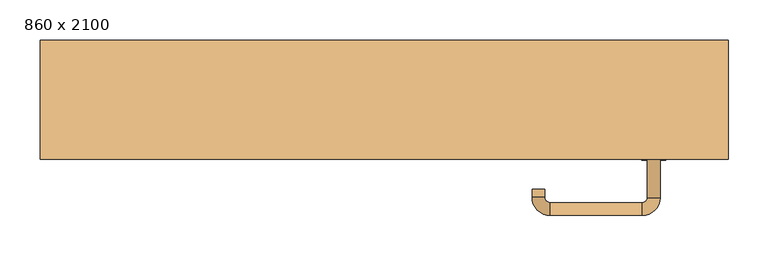
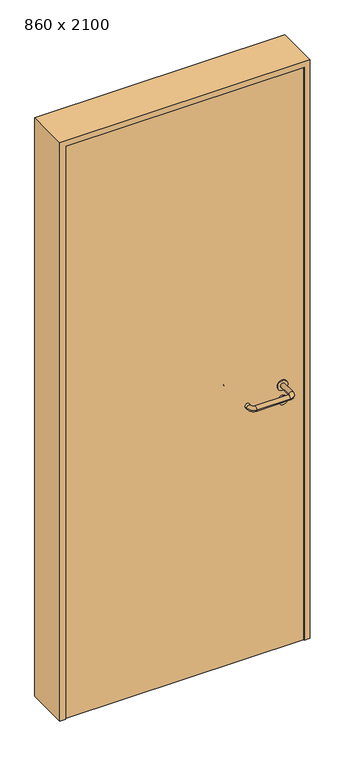
"""IFC4 building model written with IfcOpenShell, lengths in millimetres: door geometry, 860 x 2100."""

from ifc_helpers import new_model, si_unit, point, frame, frame_2d, origin, origin_with_axes, place, context, project, spatial, polyline, circle_curve, ellipse_curve, trimmed, segment, composite_curve, outline, extrude, source, transform, mapped, element, save
from ifc_brep_helpers import plane_surface, cylinder_surface, revolved_surface, advanced_brep


def door_860_x_2100_b905c639(model_context):
    return source(origin(), model_context, "Body", "SolidModel", [
        extrude(outline(composite_curve([segment(trimmed(circle_curve(frame_2d((897.3605726, 337.0)), 15.0), [point((897.3605726, 352.0))], [point((897.3605726, 322.0))], False, "CARTESIAN"), True, "CONTINUOUS"), segment(trimmed(circle_curve(frame_2d((897.3605726, 337.0)), 15.0), [point((897.3605726, 322.0))], [point((897.3605726, 352.0))], False, "CARTESIAN"), True, "CONTINUOUS")], self_intersect=False), holes=[composite_curve([segment(trimmed(circle_curve(frame_2d((892.5833211, 336.9398032)), 2.0), [point((892.5833211, 338.9398032))], [point((892.5833211, 334.9398032))], True, "CARTESIAN"), True, "CONTINUOUS"), segment(polyline([(892.5833211, 334.9398032), (902.5833211, 334.9398032)]), True, "CONTINUOUS"), segment(trimmed(circle_curve(frame_2d((902.5833211, 336.9398032)), 2.0), [point((902.5833211, 334.9398032))], [point((902.5833211, 338.9398032))], True, "CARTESIAN"), True, "CONTINUOUS"), segment(polyline([(902.5833211, 338.9398032), (892.5833211, 338.9398032)]), True, "CONTINUOUS")], self_intersect=False)]), frame((0.0, -40.0, 0.0), z_axis=(0.0, 1.0, 0.0), x_axis=(0.0, 0.0, 1.0)), (0.0, 0.0, 1.0), 6.35),
        extrude(outline(composite_curve([segment(trimmed(circle_curve(frame_2d((950.0, 337.0)), 17.526), [point((950.0, 354.526))], [point((950.0, 319.474))], False, "CARTESIAN"), True, "CONTINUOUS"), segment(trimmed(circle_curve(frame_2d((950.0, 337.0)), 17.526), [point((950.0, 319.474))], [point((950.0, 354.526))], False, "CARTESIAN"), True, "CONTINUOUS")], self_intersect=False)), frame((0.0, -40.0, 0.0), z_axis=(0.0, 1.0, 0.0), x_axis=(0.0, 0.0, 1.0)), (0.0, 0.0, 1.0), 3.175),
        advanced_brep(
        [(345.0, -40.0, 950.0), (329.0, -40.0, 950.0), (345.0, 13.0, 950.0), (329.0, 13.0, 950.0), (322.8578644, 19.1421356, 950.0), (322.8578644, 35.1421356, 950.0), (207.8578644, 35.1421356, 950.0), (207.8578644, 19.1421356, 950.0), (201.008622, 12.2928932, 950.0), (185.008622, 12.2928932, 950.0), (185.008622, 2.2928932, 950.0), (201.008622, 2.2928932, 950.0)],
        [
            (0, 1, circle_curve(frame((337.0, -40.0, 950.0), z_axis=(0.0, -1.0, 0.0), x_axis=(-1.0, 0.0, 0.0)), 8.0)),
            (1, 0, circle_curve(frame((337.0, -40.0, 950.0), z_axis=(0.0, -1.0, 0.0), x_axis=(-1.0, 0.0, 0.0)), 8.0)),
            (0, 2),
            (2, 3, circle_curve(frame((337.0, 13.0, 950.0), z_axis=(0.0, -1.0, 0.0), x_axis=(-1.0, 0.0, 0.0)), 8.0)),
            (3, 1),
            (3, 2, circle_curve(frame((337.0, 13.0, 950.0), z_axis=(0.0, -1.0, 0.0), x_axis=(-1.0, 0.0, 0.0)), 8.0)),
            (4, 3, circle_curve(frame((322.8578644, 13.0, 950.0), z_axis=(0.0, 0.0, -1.0), x_axis=(1.0, 0.0, 0.0)), 6.1421356)),
            (2, 5, circle_curve(frame((322.8578644, 13.0, 950.0), z_axis=(0.0, 0.0, 1.0), x_axis=(1.0, 0.0, 0.0)), 22.1421356)),
            (5, 4, circle_curve(frame((322.8578644, 27.1421356, 950.0), z_axis=(1.0, 0.0, 0.0), x_axis=(0.0, -1.0, 0.0)), 8.0)),
            (4, 5, circle_curve(frame((322.8578644, 27.1421356, 950.0), z_axis=(1.0, 0.0, 0.0), x_axis=(0.0, -1.0, 0.0)), 8.0)),
            (5, 6),
            (6, 7, circle_curve(frame((207.8578644, 27.1421356, 950.0), z_axis=(1.0, 0.0, 0.0), x_axis=(0.0, -1.0, 0.0)), 8.0)),
            (7, 4),
            (7, 6, circle_curve(frame((207.8578644, 27.1421356, 950.0), z_axis=(1.0, 0.0, 0.0), x_axis=(0.0, -1.0, 0.0)), 8.0)),
            (8, 7, circle_curve(frame((207.8578644, 12.2928932, 950.0), z_axis=(0.0, 0.0, -1.0), x_axis=(0.0, 1.0, 0.0)), 6.8492424)),
            (6, 9, circle_curve(frame((207.8578644, 12.2928932, 950.0), z_axis=(0.0, 0.0, 1.0), x_axis=(0.0, 1.0, 0.0)), 22.8492424)),
            (9, 8, circle_curve(frame((193.008622, 12.2928932, 950.0), z_axis=(0.0, 1.0, 0.0), x_axis=(1.0, 0.0, 0.0)), 8.0)),
            (8, 9, circle_curve(frame((193.008622, 12.2928932, 950.0), z_axis=(0.0, 1.0, 0.0), x_axis=(1.0, 0.0, 0.0)), 8.0)),
            (10, 11, circle_curve(frame((193.008622, 2.2928932, 950.0), z_axis=(0.0, -1.0, 0.0), x_axis=(1.0, 0.0, 0.0)), 8.0)),
            (11, 10, circle_curve(frame((193.008622, 2.2928932, 950.0), z_axis=(0.0, -1.0, 0.0), x_axis=(1.0, 0.0, 0.0)), 8.0)),
            (9, 10),
            (11, 8),
        ],
        [
            plane_surface(frame((337.0, -40.0, 0.0), z_axis=(0.0, -1.0, 0.0), x_axis=(0.0, 0.0, 1.0))),
            cylinder_surface(frame((337.0, -40.0, 950.0), z_axis=(0.0, -1.0, 0.0), x_axis=(-1.0, 0.0, 0.0)), 8.0),
            revolved_surface(trimmed(ellipse_curve(frame((337.0, 13.0, 950.0), z_axis=(0.0, -1.0, 0.0), x_axis=(-1.0, 0.0, 0.0)), 8.0, 8.0), [point((345.0, 13.0, 950.0))], [point((329.0, 13.0, 950.0))], True, "CARTESIAN"), (322.8578644, 13.0, 0.0), (0.0, 0.0, 1.0)),
            revolved_surface(trimmed(ellipse_curve(frame((337.0, 13.0, 950.0), z_axis=(0.0, -1.0, 0.0), x_axis=(-1.0, 0.0, 0.0)), 8.0, 8.0), [point((329.0, 13.0, 950.0))], [point((345.0, 13.0, 950.0))], True, "CARTESIAN"), (322.8578644, 13.0, 0.0), (0.0, 0.0, 1.0)),
            cylinder_surface(frame((322.8578644, 27.1421356, 950.0), z_axis=(1.0, 0.0, 0.0), x_axis=(0.0, -1.0, 0.0)), 8.0),
            revolved_surface(trimmed(ellipse_curve(frame((207.8578644, 27.1421356, 950.0), z_axis=(1.0, 0.0, 0.0), x_axis=(0.0, -1.0, 0.0)), 8.0, 8.0), [point((207.8578644, 35.1421356, 950.0))], [point((207.8578644, 19.1421356, 950.0))], True, "CARTESIAN"), (207.8578644, 12.2928932, 0.0), (0.0, 0.0, 1.0)),
            revolved_surface(trimmed(ellipse_curve(frame((207.8578644, 27.1421356, 950.0), z_axis=(1.0, 0.0, 0.0), x_axis=(0.0, -1.0, 0.0)), 8.0, 8.0), [point((207.8578644, 19.1421356, 950.0))], [point((207.8578644, 35.1421356, 950.0))], True, "CARTESIAN"), (207.8578644, 12.2928932, 0.0), (0.0, 0.0, 1.0)),
            plane_surface(frame((193.008622, 2.2928932, 0.0), z_axis=(0.0, -1.0, 0.0), x_axis=(0.0, 0.0, 1.0))),
            cylinder_surface(frame((193.008622, 12.2928932, 950.0), z_axis=(0.0, 1.0, 0.0), x_axis=(1.0, 0.0, 0.0)), 8.0),
        ],
        [
            (0, [[1, 2]]),
            (1, [[-1, 3, 4, 5]]),
            (1, [[-2, -5, 6, -3]]),
            (2, [[7, -4, 8, 9]]),
            (3, [[-8, -6, -7, 10]]),
            (4, [[-9, 11, 12, 13]]),
            (4, [[-10, -13, 14, -11]]),
            (5, [[15, -12, 16, 17]]),
            (6, [[-16, -14, -15, 18]]),
            (7, [[19, 20]]),
            (8, [[-17, 21, -20, 22]]),
            (8, [[-18, -22, -19, -21]]),
        ],
    ),
        extrude(outline(composite_curve([segment(trimmed(circle_curve(frame_2d((0.0, 15.0)), 15.0), [point((0.0, 30.0))], [point((0.0, 0.0))], False, "CARTESIAN"), True, "CONTINUOUS"), segment(trimmed(circle_curve(frame_2d((0.0, 15.0)), 15.0), [point((0.0, 0.0))], [point((0.0, 30.0))], False, "CARTESIAN"), True, "CONTINUOUS")], self_intersect=False), holes=[composite_curve([segment(trimmed(circle_curve(frame_2d((-4.7772515, 14.9398032)), 2.0), [point((-4.7772515, 16.9398032))], [point((-4.7772515, 12.9398032))], True, "CARTESIAN"), True, "CONTINUOUS"), segment(polyline([(-4.7772515, 12.9398032), (5.2227485, 12.9398032)]), True, "CONTINUOUS"), segment(trimmed(circle_curve(frame_2d((5.2227485, 14.9398032)), 2.0), [point((5.2227485, 12.9398032))], [point((5.2227485, 16.9398032))], True, "CARTESIAN"), True, "CONTINUOUS"), segment(polyline([(5.2227485, 16.9398032), (-4.7772515, 16.9398032)]), True, "CONTINUOUS")], self_intersect=False)]), frame((322.0, -76.35, 897.3605726), z_axis=(-1.8870575173328306e-12, 1.0, 0.0), x_axis=(0.0, 0.0, 1.0)), (0.0, 0.0, 1.0), 6.35),
        extrude(outline(composite_curve([segment(trimmed(circle_curve(frame_2d((0.0, 17.526)), 17.526), [point((0.0, 35.052))], [point((0.0, 0.0))], False, "CARTESIAN"), True, "CONTINUOUS"), segment(trimmed(circle_curve(frame_2d((0.0, 17.526)), 17.526), [point((0.0, 0.0))], [point((0.0, 35.052))], False, "CARTESIAN"), True, "CONTINUOUS")], self_intersect=False)), frame((319.474, -73.175, 950.0), z_axis=(-1.8870575173328306e-12, 1.0, 0.0), x_axis=(0.0, 0.0, 1.0)), (0.0, 0.0, 1.0), 3.175),
        advanced_brep(
        [(345.0, -70.0, 950.0), (329.0, -70.0, 950.0), (329.0, -123.0, 950.0), (345.0, -123.0, 950.0), (322.8578644, -129.1421356, 950.0), (322.8578644, -145.1421356, 950.0), (207.8578644, -129.1421356, 950.0), (207.8578644, -145.1421356, 950.0), (201.008622, -122.2928932, 950.0), (185.008622, -122.2928932, 950.0), (185.008622, -112.2928932, 950.0), (201.008622, -112.2928932, 950.0)],
        [
            (0, 1, circle_curve(frame((337.0, -70.0, 950.0), z_axis=(-1.888672253512351e-12, 1.0, 0.0), x_axis=(-1.0, -1.888672253512351e-12, 0.0)), 8.0)),
            (1, 0, circle_curve(frame((337.0, -70.0, 950.0), z_axis=(-1.888672253512351e-12, 1.0, 0.0), x_axis=(-1.0, -1.888672253512351e-12, 0.0)), 8.0)),
            (1, 2),
            (2, 3, circle_curve(frame((337.0, -123.0, 950.0), z_axis=(-1.888672253512351e-12, 1.0, 0.0), x_axis=(-1.0, -1.888672253512351e-12, 0.0)), 8.0)),
            (3, 0),
            (3, 2, circle_curve(frame((337.0, -123.0, 950.0), z_axis=(-1.888672253512351e-12, 1.0, 0.0), x_axis=(-1.0, -1.888672253512351e-12, 0.0)), 8.0)),
            (4, 5, circle_curve(frame((322.8578644, -137.1421356, 950.0), z_axis=(1.0, 1.913702061528922e-12, 0.0), x_axis=(-1.913702061528922e-12, 1.0, 0.0)), 8.0)),
            (5, 3, circle_curve(frame((322.8578644, -123.0, 950.0), z_axis=(0.0, 0.0, 1.0), x_axis=(1.0, 1.880717803715015e-12, 0.0)), 22.1421356)),
            (2, 4, circle_curve(frame((322.8578644, -123.0, 950.0), z_axis=(0.0, 0.0, -1.0), x_axis=(1.0, 1.880717803715015e-12, 0.0)), 6.1421356)),
            (5, 4, circle_curve(frame((322.8578644, -137.1421356, 950.0), z_axis=(1.0, 1.913702061528922e-12, 0.0), x_axis=(-1.913702061528922e-12, 1.0, 0.0)), 8.0)),
            (4, 6),
            (6, 7, circle_curve(frame((207.8578644, -137.1421356, 950.0), z_axis=(1.0, 1.913719828541269e-12, 0.0), x_axis=(-1.913719828541269e-12, 1.0, 0.0)), 8.0)),
            (7, 5),
            (7, 6, circle_curve(frame((207.8578644, -137.1421356, 950.0), z_axis=(1.0, 1.913719828541269e-12, 0.0), x_axis=(-1.913719828541269e-12, 1.0, 0.0)), 8.0)),
            (8, 9, circle_curve(frame((193.008622, -122.2928932, 950.0), z_axis=(1.8888942981172756e-12, -1.0, 0.0), x_axis=(1.0, 1.8888942981172756e-12, 0.0)), 8.0)),
            (9, 7, circle_curve(frame((207.8578644, -122.2928932, 950.0), z_axis=(0.0, 0.0, 1.0), x_axis=(1.9120873253494017e-12, -1.0, 0.0)), 22.8492424)),
            (6, 8, circle_curve(frame((207.8578644, -122.2928932, 950.0), z_axis=(0.0, 0.0, -1.0), x_axis=(1.9120873253494017e-12, -1.0, 0.0)), 6.8492424)),
            (9, 8, circle_curve(frame((193.008622, -122.2928932, 950.0), z_axis=(1.890448610351751e-12, -1.0, 0.0), x_axis=(1.0, 1.890448610351751e-12, 0.0)), 8.0)),
            (10, 11, circle_curve(frame((193.008622, -112.2928932, 950.0), z_axis=(-1.8903642334018795e-12, 1.0, 0.0), x_axis=(1.0, 1.8903642334018795e-12, 0.0)), 8.0)),
            (11, 10, circle_curve(frame((193.008622, -112.2928932, 950.0), z_axis=(-1.8903642334018795e-12, 1.0, 0.0), x_axis=(1.0, 1.8903642334018795e-12, 0.0)), 8.0)),
            (8, 11),
            (10, 9),
        ],
        [
            plane_surface(frame((337.0, -70.0, 0.0), z_axis=(-1.8870575173328306e-12, 1.0, 0.0), x_axis=(0.0, 0.0, 1.0))),
            cylinder_surface(frame((337.0, -70.0, 950.0), z_axis=(-1.888672253512351e-12, 1.0, 0.0), x_axis=(-1.0, -1.888672253512351e-12, 0.0)), 8.0),
            revolved_surface(trimmed(ellipse_curve(frame((337.0, -123.0, 950.0), z_axis=(1.8823325398945356e-12, -1.0, 0.0), x_axis=(-1.0, -1.8823325398945356e-12, 0.0)), 8.0, 8.0), [point((345.0, -123.0, 950.0))], [point((329.0, -123.0, 950.0))], True, "CARTESIAN"), (322.8578644, -123.0, 0.0), (0.0, 0.0, 1.0)),
            revolved_surface(trimmed(ellipse_curve(frame((337.0, -123.0, 950.0), z_axis=(1.8823325398945356e-12, -1.0, 0.0), x_axis=(-1.0, -1.8823325398945356e-12, 0.0)), 8.0, 8.0), [point((329.0, -123.0, 950.0))], [point((345.0, -123.0, 950.0))], True, "CARTESIAN"), (322.8578644, -123.0, 0.0), (0.0, 0.0, 1.0)),
            cylinder_surface(frame((322.8578644, -137.1421356, 950.0), z_axis=(1.0, 1.913719828541269e-12, 0.0), x_axis=(-1.913719828541269e-12, 1.0, 0.0)), 8.0),
            revolved_surface(trimmed(ellipse_curve(frame((207.8578644, -137.1421356, 950.0), z_axis=(-1.0, -1.913702061528922e-12, 0.0), x_axis=(-1.913702061528922e-12, 1.0, 0.0)), 8.0, 8.0), [point((207.8578644, -145.1421356, 950.0))], [point((207.8578644, -129.1421356, 950.0))], True, "CARTESIAN"), (207.8578644, -122.2928932, 0.0), (0.0, 0.0, 1.0)),
            revolved_surface(trimmed(ellipse_curve(frame((207.8578644, -137.1421356, 950.0), z_axis=(-1.0, -1.913702061528922e-12, 0.0), x_axis=(-1.913702061528922e-12, 1.0, 0.0)), 8.0, 8.0), [point((207.8578644, -129.1421356, 950.0))], [point((207.8578644, -145.1421356, 950.0))], True, "CARTESIAN"), (207.8578644, -122.2928932, 0.0), (0.0, 0.0, 1.0)),
            plane_surface(frame((193.008622, -112.2928932, 0.0), z_axis=(-1.8887494972223595e-12, 1.0, 0.0), x_axis=(0.0, 0.0, 1.0))),
            cylinder_surface(frame((193.008622, -122.2928932, 950.0), z_axis=(1.8903642334018795e-12, -1.0, 0.0), x_axis=(1.0, 1.8903642334018795e-12, 0.0)), 8.0),
        ],
        [
            (0, [[1, 2]]),
            (1, [[3, 4, 5, -2]]),
            (1, [[-5, 6, -3, -1]]),
            (2, [[7, 8, -4, 9]]),
            (3, [[10, -9, -6, -8]]),
            (4, [[11, 12, 13, -7]]),
            (4, [[-13, 14, -11, -10]]),
            (5, [[15, 16, -12, 17]]),
            (6, [[18, -17, -14, -16]]),
            (7, [[19, 20]]),
            (8, [[21, -19, 22, -15]]),
            (8, [[-22, -20, -21, -18]]),
        ],
    ),
        extrude(outline(polyline([(2080.0, 410.0), (0.0, 410.0), (0.0, 430.0), (2100.0, 430.0), (2100.0, -430.0), (0.0, -430.0), (0.0, -410.0), (2080.0, -410.0), (2080.0, 410.0)])), frame((0.0, -75.0, 0.0), z_axis=(0.0, 1.0, 0.0), x_axis=(0.0, 0.0, 1.0)), (0.0, 0.0, 1.0), 149.0),
        extrude(outline(polyline([(-410.0, -70.0), (-410.0, -40.0), (410.0, -40.0), (410.0, -70.0), (-410.0, -70.0)])), origin_with_axes(), (0.0, 0.0, 1.0), 2080.0),
    ])


if __name__ == "__main__":
    model = new_model("IFC4")
    model_context = context("Model", 3, world=origin())
    ifc_project = project(units=[si_unit("LENGTHUNIT", "METRE", prefix="MILLI")], contexts=[model_context])
    site = spatial("IfcSite", under=ifc_project)
    building = spatial("IfcBuilding", under=site)
    placement = place(None, origin())
    door_860_x_2100_shape = door_860_x_2100_b905c639(model_context)
    element("IfcDoor", 1, ObjectType="860 x 2100", at=placement, inside=building, context=model_context, shape_type="MappedRepresentation", body=[
        mapped(door_860_x_2100_shape, transform((0.0, 0.0, 0.0), x_axis=(1.0, 0.0, 0.0), y_axis=(0.0, 1.0, 0.0), z_axis=(0.0, 0.0, 1.0))),
    ])
    save(model, "model.ifc")
